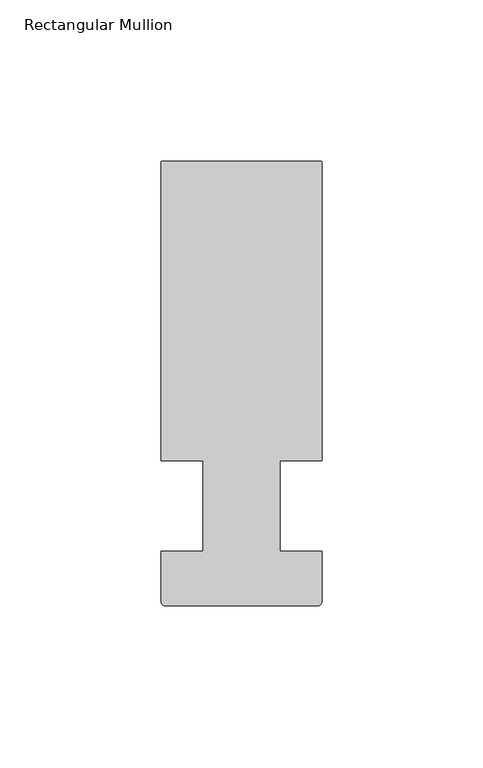
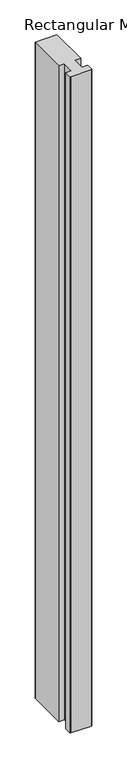
"""IFC4 building model written with IfcOpenShell, lengths in millimetres: member geometry, Rectangular Mullion."""

from ifc_helpers import new_model, si_unit, point, frame, frame_2d, origin, place, context, project, spatial, polyline, circle_curve, trimmed, segment, composite_curve, outline, extrude, source, transform, mapped, element, save


def rectangular_mullion_d2c009f7(model_context):
    return source(origin(), model_context, "Body", "SweptSolid", [
        extrude(outline(composite_curve([segment(polyline([(25.0000007, 106.500001), (25.0000007, 14.0), (12.0000006, 14.0), (12.0000006, -14.0), (25.0000007, -14.0), (25.0000007, -29.499999)]), True, "CONTINUOUS"), segment(trimmed(circle_curve(frame_2d((23.5000007, -29.499999)), 1.5), [point((25.0000007, -29.499999))], [point((23.5000007, -30.999999))], False, "CARTESIAN"), True, "CONTINUOUS"), segment(polyline([(23.5000007, -30.999999), (-23.4999993, -30.999999)]), True, "CONTINUOUS"), segment(trimmed(circle_curve(frame_2d((-23.4999993, -29.499999)), 1.5), [point((-23.4999993, -30.999999))], [point((-24.9999993, -29.499999))], False, "CARTESIAN"), True, "CONTINUOUS"), segment(polyline([(-24.9999993, -29.499999), (-24.9999993, -14.0), (-11.9995134, -14.0), (-11.9995134, 14.0), (-24.9999993, 14.0), (-24.9999993, 106.500001)]), True, "CONTINUOUS"), segment(trimmed(circle_curve(frame_2d((-24.4999993, 106.500001)), 0.5), [point((-24.9999993, 106.500001))], [point((-24.4999993, 107.000001))], False, "CARTESIAN"), True, "CONTINUOUS"), segment(polyline([(-24.4999993, 107.000001), (24.5000007, 107.000001)]), True, "CONTINUOUS"), segment(trimmed(circle_curve(frame_2d((24.5000007, 106.500001)), 0.5), [point((24.5000007, 107.000001))], [point((25.0000007, 106.500001))], False, "CARTESIAN"), True, "CONTINUOUS")], self_intersect=False)), frame((0.0, 0.0, -1574.3722759), z_axis=(0.0, 0.0, 1.0), x_axis=(1.0, 0.0, 0.0)), (0.0, 0.0, 1.0), 1574.3722759),
    ])


if __name__ == "__main__":
    model = new_model("IFC4")
    model_context = context("Model", 3, world=origin())
    ifc_project = project(units=[si_unit("LENGTHUNIT", "METRE", prefix="MILLI")], contexts=[model_context])
    site = spatial("IfcSite", under=ifc_project)
    building = spatial("IfcBuilding", under=site)
    placement = place(None, origin())
    rectangular_mullion_shape = rectangular_mullion_d2c009f7(model_context)
    element("IfcMember", 1, ObjectType="Rectangular Mullion", at=placement, inside=building, context=model_context, shape_type="MappedRepresentation", body=[
        mapped(rectangular_mullion_shape, transform((0.0, 0.0, 0.0), x_axis=(1.0, 0.0, 0.0), y_axis=(0.0, 1.0, 0.0), z_axis=(0.0, 0.0, 1.0))),
    ])
    save(model, "model.ifc")
